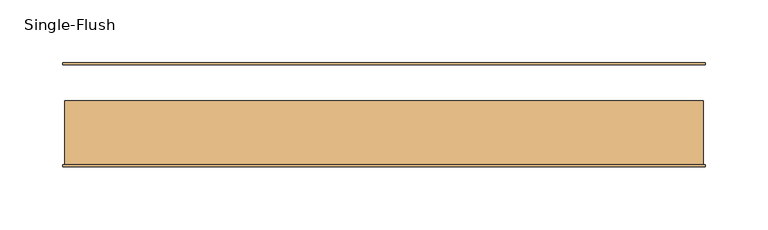
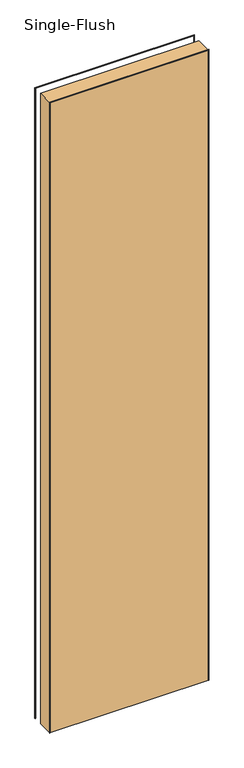
"""IFC4 building model written with IfcOpenShell, lengths in millimetres: door geometry, Single-Flush."""

from ifc_helpers import new_model, si_unit, frame, origin, origin_with_axes, place, context, project, spatial, polyline, outline, extrude, source, transform, mapped, element, save


def single_flush_4305e943(model_context):
    return source(origin(), model_context, "Body", "SweptSolid", [
        extrude(outline(polyline([(2135.1875, -255.5875), (0.0, -255.5875), (0.0, -254.0), (2133.6, -254.0), (2133.6, 254.0), (0.0, 254.0), (0.0, 255.5875), (2135.1875, 255.5875), (2135.1875, -255.5875)])), frame((0.0, -41.275, 0.0), z_axis=(0.0, 1.0, 0.0), x_axis=(0.0, 0.0, 1.0)), (0.0, 0.0, 1.0), 1.5875),
        extrude(outline(polyline([(2135.1875, 255.5875), (2135.1875, -255.5875), (0.0, -255.5875), (0.0, -254.0), (2133.6, -254.0), (2133.6, 254.0), (0.0, 254.0), (0.0, 255.5875), (2135.1875, 255.5875)])), frame((0.0, 39.6875, 0.0), z_axis=(0.0, 1.0, 0.0), x_axis=(0.0, 0.0, 1.0)), (0.0, 0.0, 1.0), 1.5875),
        extrude(outline(polyline([(254.0, 11.1125), (254.0, -39.6875), (-254.0, -39.6875), (-254.0, 11.1125), (254.0, 11.1125)])), origin_with_axes(), (0.0, 0.0, 1.0), 2133.6),
    ])


if __name__ == "__main__":
    model = new_model("IFC4")
    model_context = context("Model", 3, world=origin())
    ifc_project = project(units=[si_unit("LENGTHUNIT", "METRE", prefix="MILLI")], contexts=[model_context])
    site = spatial("IfcSite", under=ifc_project)
    building = spatial("IfcBuilding", under=site)
    placement = place(None, origin())
    single_flush_shape = single_flush_4305e943(model_context)
    element("IfcDoor", 1, ObjectType="Single-Flush", at=placement, inside=building, context=model_context, shape_type="MappedRepresentation", body=[
        mapped(single_flush_shape, transform((0.0, 0.0, 0.0), x_axis=(1.0, 0.0, 0.0), y_axis=(0.0, 1.0, 0.0), z_axis=(0.0, 0.0, 1.0))),
    ])
    save(model, "model.ifc")
